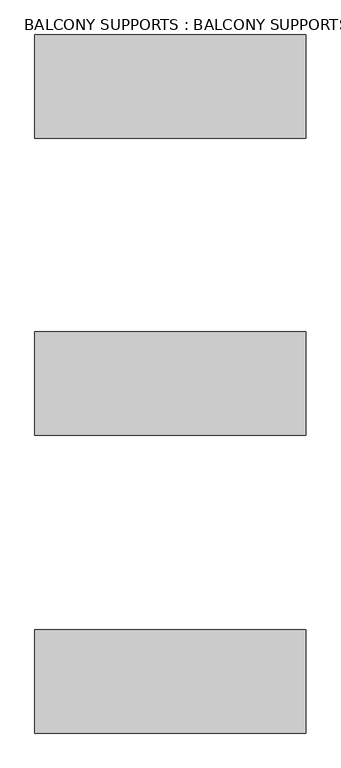
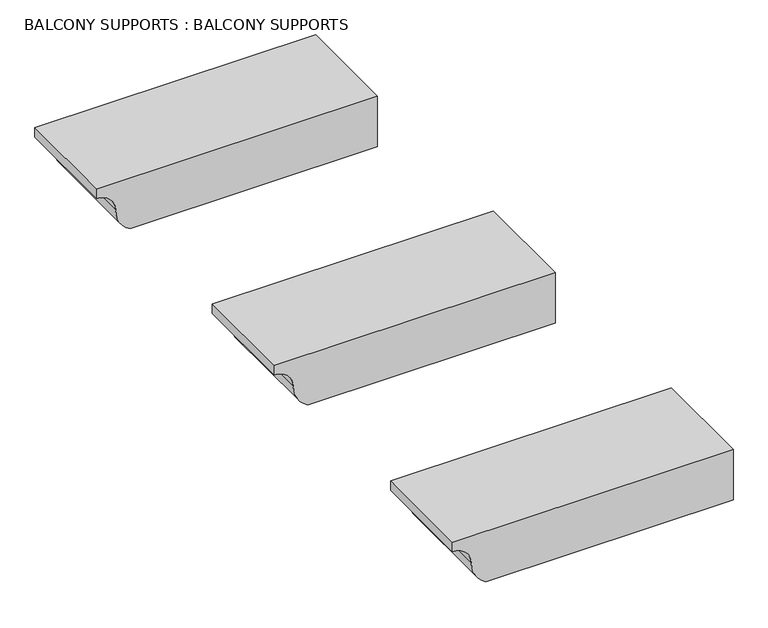
"""IFC4 building model written with IfcOpenShell, lengths in millimetres: proxy geometry, BALCONY SUPPORTS : BALCONY SUPPORTS."""

from ifc_helpers import new_model, si_unit, point, frame, frame_2d, origin, place, context, project, spatial, polyline, circle_curve, trimmed, segment, composite_curve, outline, extrude, source, transform, mapped, element, save


def balcony_supports_balcony_supports_2db3e613(model_context):
    return source(origin(), model_context, "Body", "SweptSolid", [
        extrude(outline(composite_curve([segment(polyline([(2921.0, -17059.6716415), (2901.95, -17059.6716415)]), True, "CONTINUOUS"), segment(trimmed(circle_curve(frame_2d((2866.0289755, -17059.6716415)), 35.9210245), [point((2901.95, -17059.6716415))], [point((2866.0289755, -17023.750617))], True, "CARTESIAN"), True, "CONTINUOUS"), segment(trimmed(circle_curve(frame_2d((2866.0289755, -16970.5423089)), 53.208308), [point((2866.0289755, -17023.750617))], [point((2819.4, -16996.1716415))], False, "CARTESIAN"), True, "CONTINUOUS"), segment(polyline([(2819.4, -16996.1716415), (2819.4, -16526.2716415), (2921.0, -16526.2716415), (2921.0, -17059.6716415)]), True, "CONTINUOUS")], self_intersect=False)), frame((0.0, 1641.3607965, 0.0), z_axis=(0.0, 1.0, 0.0), x_axis=(0.0, 0.0, 1.0)), (0.0, 0.0, 1.0), 203.2),
        extrude(outline(composite_curve([segment(polyline([(2921.0, -17059.6716415), (2901.95, -17059.6716415)]), True, "CONTINUOUS"), segment(trimmed(circle_curve(frame_2d((2866.0289755, -17059.6716415)), 35.9210245), [point((2901.95, -17059.6716415))], [point((2866.0289755, -17023.750617))], True, "CARTESIAN"), True, "CONTINUOUS"), segment(trimmed(circle_curve(frame_2d((2866.0289755, -16970.5423089)), 53.208308), [point((2866.0289755, -17023.750617))], [point((2819.4, -16996.1716415))], False, "CARTESIAN"), True, "CONTINUOUS"), segment(polyline([(2819.4, -16996.1716415), (2819.4, -16526.2716415), (2921.0, -16526.2716415), (2921.0, -17059.6716415)]), True, "CONTINUOUS")], self_intersect=False)), frame((0.0, 2225.5607965, 0.0), z_axis=(0.0, 1.0, 0.0), x_axis=(0.0, 0.0, 1.0)), (0.0, 0.0, 1.0), 203.2),
        extrude(outline(composite_curve([segment(polyline([(2921.0, -17059.6716415), (2901.95, -17059.6716415)]), True, "CONTINUOUS"), segment(trimmed(circle_curve(frame_2d((2866.0289755, -17059.6716415)), 35.9210245), [point((2901.95, -17059.6716415))], [point((2866.0289755, -17023.750617))], True, "CARTESIAN"), True, "CONTINUOUS"), segment(trimmed(circle_curve(frame_2d((2866.0289755, -16970.5423089)), 53.208308), [point((2866.0289755, -17023.750617))], [point((2819.4, -16996.1716415))], False, "CARTESIAN"), True, "CONTINUOUS"), segment(polyline([(2819.4, -16996.1716415), (2819.4, -16526.2716415), (2921.0, -16526.2716415), (2921.0, -17059.6716415)]), True, "CONTINUOUS")], self_intersect=False)), frame((0.0, 1055.5732965, 0.0), z_axis=(0.0, 1.0, 0.0), x_axis=(0.0, 0.0, 1.0)), (0.0, 0.0, 1.0), 203.2),
    ])


if __name__ == "__main__":
    model = new_model("IFC4")
    model_context = context("Model", 3, world=origin())
    ifc_project = project(units=[si_unit("LENGTHUNIT", "METRE", prefix="MILLI")], contexts=[model_context])
    site = spatial("IfcSite", under=ifc_project)
    building = spatial("IfcBuilding", under=site)
    placement = place(None, origin())
    balcony_supports_balcony_supports_shape = balcony_supports_balcony_supports_2db3e613(model_context)
    element("IfcBuildingElementProxy", 1, Name="BALCONY SUPPORTS : BALCONY SUPPORTS", ObjectType="BALCONY SUPPORTS : BALCONY SUPPORTS", at=placement, inside=building, context=model_context, shape_type="MappedRepresentation", body=[
        mapped(balcony_supports_balcony_supports_shape, transform((0.0, 0.0, 0.0), x_axis=(1.0, 0.0, 0.0), y_axis=(0.0, 1.0, 0.0), z_axis=(0.0, 0.0, 1.0))),
    ])
    save(model, "model.ifc")
